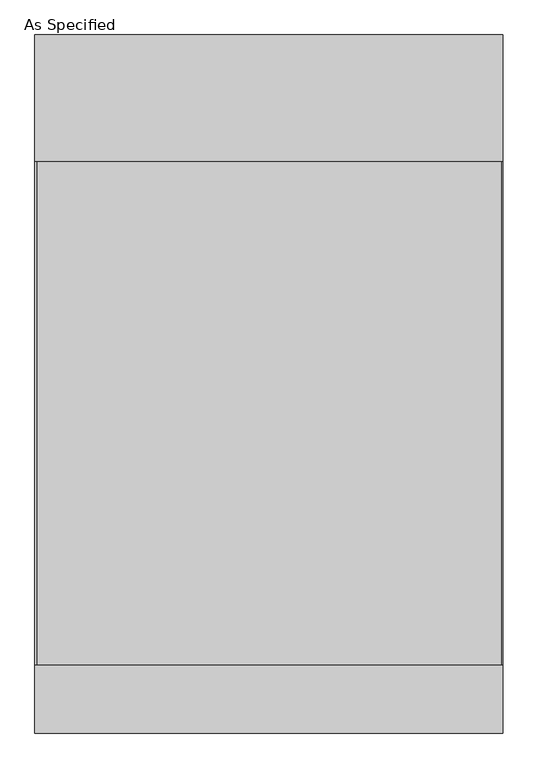
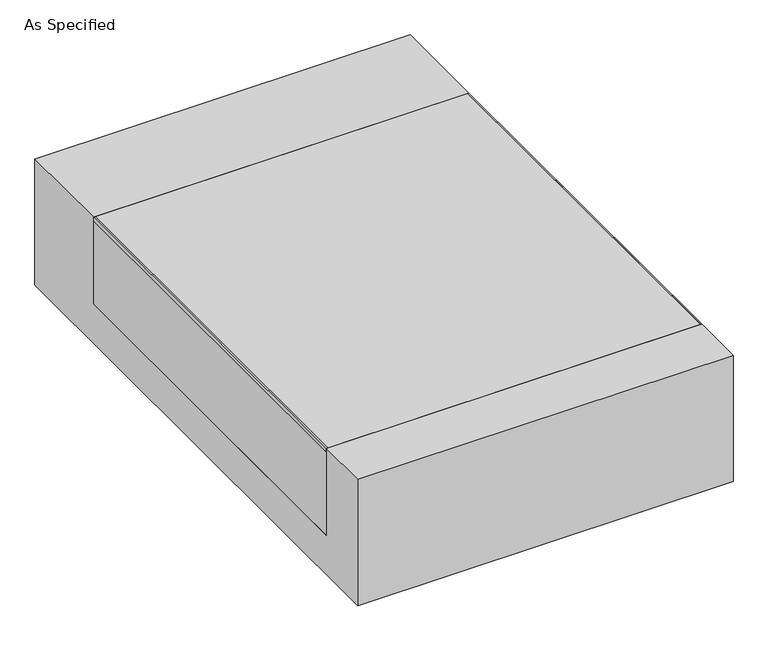
"""IFC4 building model written with IfcOpenShell, lengths in millimetres: proxy geometry, As Specified."""

from ifc_helpers import new_model, si_unit, point, frame, frame_2d, origin, place, context, project, spatial, polyline, circle_curve, trimmed, segment, composite_curve, outline, extrude, source, transform, mapped, element, save


def as_specified_4e8a097e(model_context):
    return source(origin(), model_context, "Body", "SweptSolid", [
        extrude(outline(composite_curve([segment(trimmed(circle_curve(frame_2d((389.6125, -1007.275)), 10.5), [point((389.6125, -1017.775))], [point((389.6125, -996.775))], False, "CARTESIAN"), True, "CONTINUOUS"), segment(trimmed(circle_curve(frame_2d((389.6125, -1007.275)), 10.5), [point((389.6125, -996.775))], [point((389.6125, -1017.775))], False, "CARTESIAN"), True, "CONTINUOUS")], self_intersect=False)), frame((0.0, 0.0, -562.225), z_axis=(0.0, 0.0, 1.0), x_axis=(1.0, 0.0, 0.0)), (0.0, 0.0, 1.0), 32.0),
        extrude(outline(polyline([(-704.05625, -850.9), (-709.6125, -850.9), (-709.6125, 673.1), (-704.05625, 673.1), (-704.05625, -850.9)])), frame((0.0, 0.0, -39.6875), z_axis=(0.0, 0.0, 1.0), x_axis=(1.0, 0.0, 0.0)), (0.0, 0.0, 1.0), 14.2875),
        extrude(outline(polyline([(705.64375, 673.1), (709.6125, 673.1), (709.6125, -850.9), (705.64375, -850.9), (705.64375, 673.1)])), frame((0.0, 0.0, -39.6875), z_axis=(0.0, 0.0, 1.0), x_axis=(1.0, 0.0, 0.0)), (0.0, 0.0, 1.0), 14.2875),
        extrude(outline(polyline([(709.6125, 673.1), (709.6125, -850.9), (-709.6125, -850.9), (-709.6125, 673.1), (709.6125, 673.1)])), frame((0.0, 0.0, -373.0625), z_axis=(0.0, 0.0, 1.0), x_axis=(1.0, 0.0, 0.0)), (0.0, 0.0, 1.0), 347.6625),
        extrude(outline(polyline([(1057.275, -25.4), (1057.275, -530.225), (-1057.275, -530.225), (-1057.275, -25.4), (-850.9, -25.4), (-850.9, -373.0625), (673.1, -373.0625), (673.1, -25.4), (1057.275, -25.4)])), frame((-709.6125, 0.0, 0.0), z_axis=(1.0, 0.0, 0.0), x_axis=(0.0, 1.0, 0.0)), (0.0, 0.0, 1.0), 1419.225),
    ])


if __name__ == "__main__":
    model = new_model("IFC4")
    model_context = context("Model", 3, world=origin())
    ifc_project = project(units=[si_unit("LENGTHUNIT", "METRE", prefix="MILLI")], contexts=[model_context])
    site = spatial("IfcSite", under=ifc_project)
    building = spatial("IfcBuilding", under=site)
    placement = place(None, origin())
    as_specified_shape = as_specified_4e8a097e(model_context)
    element("IfcBuildingElementProxy", 1, Name="As Specified", ObjectType="As Specified", at=placement, inside=building, context=model_context, shape_type="MappedRepresentation", body=[
        mapped(as_specified_shape, transform((0.0, 0.0, 0.0), x_axis=(1.0, 0.0, 0.0), y_axis=(0.0, 1.0, 0.0), z_axis=(0.0, 0.0, 1.0))),
    ])
    save(model, "model.ifc")
